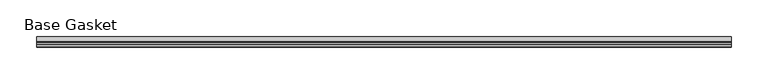
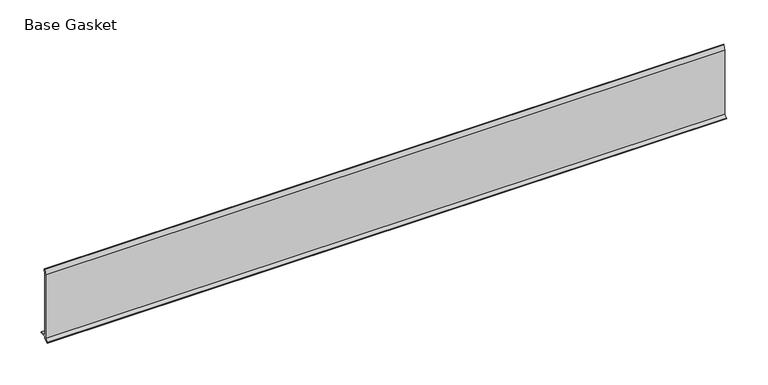
"""IFC4 building model written with IfcOpenShell, lengths in millimetres: furniture geometry, Base Gasket."""

import ifcopenshell
import ifcopenshell.guid

model = None  # the IFC model being written
_history = None  # IfcOwnerHistory: only IFC2X3 demands one
_inside = {}  # id of a spatial element -> (the spatial element, [elements in it])
_under = {}  # id of a project, library or spatial element -> (it, [spatial elements below it])
_declared = {}  # id of a project -> (the project, [libraries it declares])
_typed = {}  # id of a type object -> (the type object, [elements of that type])
_made_of = {}  # id of a material, layer set ... -> (it, [elements and type objects made of it])


def new_model(schema):
    """Start an empty IFC model of exactly this schema.

    Asked for "IFC4X3", IfcOpenShell would pick the latest addendum, in which some entities
    have other attributes; the version numbers below select the first issue.
    IFC2X3 requires an IfcOwnerHistory on every rooted entity: one is made here for all.
    """
    global model, _history
    if schema == "IFC4X3":
        model = ifcopenshell.file(schema_version=(4, 3, 0, 0))
    else:
        model = ifcopenshell.file(schema=schema)
    _inside.clear()
    _under.clear()
    _declared.clear()
    _typed.clear()
    _made_of.clear()
    _history = None
    if model.schema == "IFC2X3":
        org = make("IfcOrganization", Name="unknown")
        user = make(
            "IfcPersonAndOrganization",
            ThePerson=make("IfcPerson", FamilyName="unknown"),
            TheOrganization=org,
        )
        app = make(
            "IfcApplication",
            ApplicationDeveloper=org,
            Version="unknown",
            ApplicationFullName="unknown",
            ApplicationIdentifier="unknown",
        )
        _history = make(
            "IfcOwnerHistory",
            OwningUser=user,
            OwningApplication=app,
            ChangeAction="ADDED",
            CreationDate=0,
        )
    return model


def make(cls, **values):
    """One entity of the class cls with the attributes given. An attribute that is None is left unset."""
    return model.create_entity(
        cls, **{name: value for name, value in values.items() if value is not None}
    )


def rooted(cls, **values):
    """An entity with a GlobalId (a new one), such as an element, a storey or a relation."""
    return make(cls, GlobalId=ifcopenshell.guid.new(), OwnerHistory=_history, **values)


def si_unit(unit_type, name, prefix=None):
    """IfcSIUnit, for example si_unit("LENGTHUNIT", "METRE", prefix="MILLI")."""
    return make("IfcSIUnit", UnitType=unit_type, Prefix=prefix, Name=name)


def assignment(units):
    """IfcUnitAssignment: the units of a project."""
    return None if units is None else make("IfcUnitAssignment", Units=units)


def point(xyz):
    """IfcCartesianPoint."""
    return None if xyz is None else make("IfcCartesianPoint", Coordinates=xyz)


def direction(xyz):
    """IfcDirection."""
    return None if xyz is None else make("IfcDirection", DirectionRatios=xyz)


def frame(location, z_axis=None, x_axis=None):
    """IfcAxis2Placement3D, a coordinate frame: its origin and axes. An axis left out is left unset."""
    return make(
        "IfcAxis2Placement3D",
        Location=point(location),
        Axis=direction(z_axis),
        RefDirection=direction(x_axis),
    )


def origin():
    """The frame at (0, 0, 0) with its axes left unset."""
    return frame((0.0, 0.0, 0.0))


def place(relative_to, where):
    """IfcLocalPlacement: puts the frame where relative to a parent placement (None: the world)."""
    return make(
        "IfcLocalPlacement", PlacementRelTo=relative_to, RelativePlacement=where
    )


def context(
    kind, dimensions, precision=None, world=None, true_north=None, identifier=None
):
    """IfcGeometricRepresentationContext, for example the 3D "Model" context."""
    return make(
        "IfcGeometricRepresentationContext",
        ContextIdentifier=identifier,
        ContextType=kind,
        CoordinateSpaceDimension=dimensions,
        Precision=precision,
        WorldCoordinateSystem=world,
        TrueNorth=true_north,
    )


def project(units=None, contexts=None):
    """IfcProject with its units and contexts."""
    return rooted(
        "IfcProject",
        Name="project",
        RepresentationContexts=contexts,
        UnitsInContext=assignment(units),
    )


def spatial(cls, under=None, at=None, **own):
    """A site, building, storey or space (cls), placed at a placement, below another one or the project."""
    s = rooted(cls, ObjectPlacement=at, **own)
    if under is not None:
        _under.setdefault(under.id(), (under, []))[1].append(s)
    return s


def polyline(points):
    """IfcPolyline through the points."""
    return make("IfcPolyline", Points=[point(p) for p in points])


def outline(outer, holes=None, kind="AREA"):
    """IfcArbitraryClosedProfileDef: a profile drawn as a closed curve; with holes, ...WithVoids."""
    if holes is None:
        return make("IfcArbitraryClosedProfileDef", ProfileType=kind, OuterCurve=outer)
    return make(
        "IfcArbitraryProfileDefWithVoids",
        ProfileType=kind,
        OuterCurve=outer,
        InnerCurves=holes,
    )


def extrude(swept, where, along, depth):
    """IfcExtrudedAreaSolid: the profile swept, set in the frame where, extruded along a direction by depth."""
    return make(
        "IfcExtrudedAreaSolid",
        SweptArea=swept,
        Position=where,
        ExtrudedDirection=direction(along),
        Depth=depth,
    )


def shape(context_of_items, identifier, shape_type, items):
    """IfcShapeRepresentation: the items that make up one representation, for example the "Body"."""
    return make(
        "IfcShapeRepresentation",
        ContextOfItems=context_of_items,
        RepresentationIdentifier=identifier,
        RepresentationType=shape_type,
        Items=items,
    )


def source(mapping_origin, context_of_items, identifier, shape_type, items):
    """IfcRepresentationMap: a shape defined once, which mapped items show again and again."""
    return make(
        "IfcRepresentationMap",
        MappingOrigin=mapping_origin,
        MappedRepresentation=shape(context_of_items, identifier, shape_type, items),
    )


def transform(
    local_origin,
    x_axis=None,
    y_axis=None,
    z_axis=None,
    scale=None,
    scale2=None,
    scale3=None,
    uniform=True,
):
    """IfcCartesianTransformationOperator3D, or its non-uniform kind. x_axis, y_axis, z_axis: its Axis1, 2, 3."""
    if uniform:
        return make(
            "IfcCartesianTransformationOperator3D",
            Axis1=direction(x_axis),
            Axis2=direction(y_axis),
            LocalOrigin=point(local_origin),
            Scale=scale,
            Axis3=direction(z_axis),
        )
    return make(
        "IfcCartesianTransformationOperator3DnonUniform",
        Axis1=direction(x_axis),
        Axis2=direction(y_axis),
        LocalOrigin=point(local_origin),
        Scale=scale,
        Axis3=direction(z_axis),
        Scale2=scale2,
        Scale3=scale3,
    )


def mapped(mapping_source, mapping_target):
    """IfcMappedItem: shows the shape of a source again, moved by a transform."""
    return make(
        "IfcMappedItem", MappingSource=mapping_source, MappingTarget=mapping_target
    )


def made_of(thing, what):
    """Note that an element or type object is made of a material, layer set ...; save() writes the relation."""
    if what is not None:
        _made_of.setdefault(what.id(), (what, []))[1].append(thing)
    return thing


def element(
    cls,
    number,
    at=None,
    inside=None,
    cuts=None,
    type_object=None,
    material=None,
    context=None,
    identifier="Body",
    shape_type=None,
    held_by="IfcProductDefinitionShape",
    body=None,
    shapes=None,
    **own,
):
    """One element of the class cls, such as IfcWall. Its Tag is "e" and its number.

    at: its placement. inside: the storey or other place that contains it. cuts: it is an
    opening in that element (IfcRelVoidsElement). A single representation is given by context,
    identifier, shape_type and body (its items); several are given by shapes. held_by: the class
    of the entity that holds the representations. save() writes the other relations.
    """
    e = rooted(cls, Tag="e%d" % number, ObjectPlacement=at, **own)
    if body is not None:
        shapes = [shape(context, identifier, shape_type, body)]
    if shapes is not None:
        e.Representation = make(held_by, Representations=shapes)
    if inside is not None:
        _inside.setdefault(inside.id(), (inside, []))[1].append(e)
    if cuts is not None:
        rooted(
            "IfcRelVoidsElement", RelatingBuildingElement=cuts, RelatedOpeningElement=e
        )
    if type_object is not None:
        _typed.setdefault(type_object.id(), (type_object, []))[1].append(e)
    return made_of(e, material)


def aggregate(whole, parts):
    """IfcRelAggregates: a whole, such as a stair, and the parts it consists of."""
    return rooted("IfcRelAggregates", RelatingObject=whole, RelatedObjects=parts)


def save(model, path):
    """Write the relations noted so far, then the file.

    IfcRelAggregates (storeys below a building ...), IfcRelContainedInSpatialStructure (elements
    in a storey), IfcRelDefinesByType, IfcRelAssociatesMaterial and IfcRelDeclares: one each for
    every whole, place, type object, material and project.
    """
    for whole, parts in _under.values():
        aggregate(whole, parts)
    for where, things in _inside.values():
        rooted(
            "IfcRelContainedInSpatialStructure",
            RelatedElements=things,
            RelatingStructure=where,
        )
    for kind, things in _typed.values():
        rooted("IfcRelDefinesByType", RelatedObjects=things, RelatingType=kind)
    for what, things in _made_of.values():
        rooted("IfcRelAssociatesMaterial", RelatedObjects=things, RelatingMaterial=what)
    for by, libraries in _declared.values():
        rooted("IfcRelDeclares", RelatingContext=by, RelatedDefinitions=libraries)
    model.write(path)


def base_gasket_dc5ff0f7(model_context):
    return source(origin(), model_context, "Body", "SweptSolid", [
        extrude(outline(polyline([(-3.7283812, 98.4568417), (-1.1891543, 104.587663), (-0.6755308, 105.2002997), (-0.6755308, 104.4162708), (-2.2043812, 98.4568417), (-2.2043812, 96.8693477), (-1.4106313, 96.8693477), (-1.4106313, 71.4693447), (-2.2043812, 71.4693447), (-2.2043812, 7.9398773), (6.2405171, 7.9398773), (6.2405171, 6.3818476), (-2.1334222, 6.3818476), (-2.2043812, 4.3498477), (-6.8281054, 0.3520979), (-7.8482342, 0.0), (-7.4222115, 0.6560174), (-3.7283812, 4.3498477), (-3.7283812, 98.4568417)])), frame((-1527.8982117, 0.0, 0.0), z_axis=(1.0, 0.0, 0.0), x_axis=(0.0, 1.0, 0.0)), (0.0, 0.0, 1.0), 946.3092012),
    ])


if __name__ == "__main__":
    model = new_model("IFC4")
    model_context = context("Model", 3, world=origin())
    ifc_project = project(units=[si_unit("LENGTHUNIT", "METRE", prefix="MILLI")], contexts=[model_context])
    site = spatial("IfcSite", under=ifc_project)
    building = spatial("IfcBuilding", under=site)
    placement = place(None, origin())
    base_gasket_shape = base_gasket_dc5ff0f7(model_context)
    element("IfcFurniture", 1, ObjectType="Base Gasket", at=placement, inside=building, context=model_context, shape_type="MappedRepresentation", body=[
        mapped(base_gasket_shape, transform((0.0, 0.0, 0.0), x_axis=(1.0, 0.0, 0.0), y_axis=(0.0, 1.0, 0.0), z_axis=(0.0, 0.0, 1.0))),
    ])
    save(model, "model.ifc")
